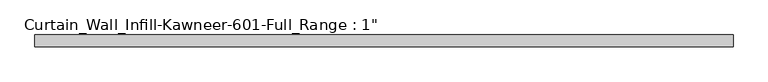
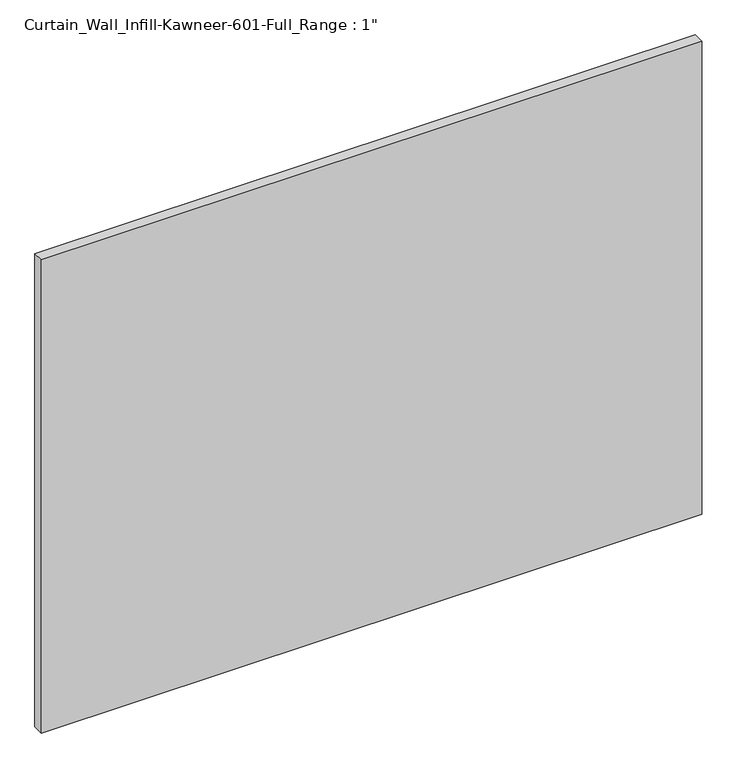
"""IFC4 building model written with IfcOpenShell, lengths in millimetres: plate geometry."""

from ifc_helpers import new_model, si_unit, origin, origin_with_axes, place, context, project, spatial, polyline, outline, extrude, source, transform, mapped, element, save


def plate_acdb59a5(model_context):
    return source(origin(), model_context, "Body", "SweptSolid", [
        extrude(outline(polyline([(-758.825, 12.7), (758.825, 12.7), (758.825, -12.7), (-758.825, -12.7), (-758.825, 12.7)])), origin_with_axes(), (0.0, 0.0, 1.0), 1149.35),
    ])


if __name__ == "__main__":
    model = new_model("IFC4")
    model_context = context("Model", 3, world=origin())
    ifc_project = project(units=[si_unit("LENGTHUNIT", "METRE", prefix="MILLI")], contexts=[model_context])
    site = spatial("IfcSite", under=ifc_project)
    building = spatial("IfcBuilding", under=site)
    placement = place(None, origin())
    plate_shape = plate_acdb59a5(model_context)
    element("IfcPlate", 1, ObjectType="Curtain_Wall_Infill-Kawneer-601-Full_Range : 1\"", at=placement, inside=building, context=model_context, shape_type="MappedRepresentation", body=[
        mapped(plate_shape, transform((0.0, 0.0, 0.0), x_axis=(1.0, 0.0, 0.0), y_axis=(0.0, 1.0, 0.0), z_axis=(0.0, 0.0, 1.0))),
    ])
    save(model, "model.ifc")
